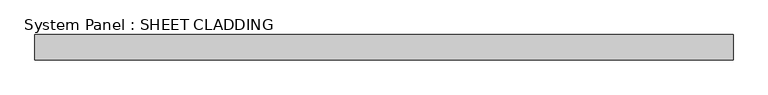
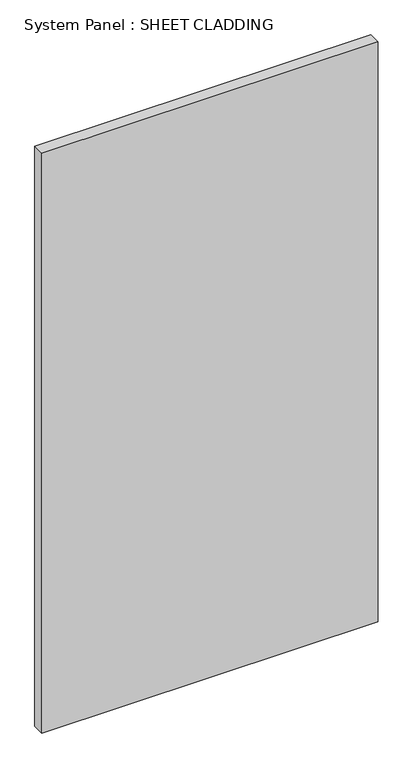
"""IFC4 building model written with IfcOpenShell, lengths in millimetres: plate geometry, System Panel : SHEET CLADDING."""

from ifc_helpers import new_model, si_unit, origin, origin_with_axes, place, context, project, spatial, polyline, outline, extrude, source, transform, mapped, element, save


def system_panel_sheet_cladding_f1958594(model_context):
    return source(origin(), model_context, "Body", "SweptSolid", [
        extrude(outline(polyline([(831.1220206, -10.5), (-831.1220206, -10.5), (-831.1220206, 49.5), (831.1220206, 49.5), (831.1220206, -10.5)])), origin_with_axes(), (0.0, 0.0, 1.0), 3031.35),
    ])


if __name__ == "__main__":
    model = new_model("IFC4")
    model_context = context("Model", 3, world=origin())
    ifc_project = project(units=[si_unit("LENGTHUNIT", "METRE", prefix="MILLI")], contexts=[model_context])
    site = spatial("IfcSite", under=ifc_project)
    building = spatial("IfcBuilding", under=site)
    placement = place(None, origin())
    system_panel_sheet_cladding_shape = system_panel_sheet_cladding_f1958594(model_context)
    element("IfcPlate", 1, ObjectType="System Panel : SHEET CLADDING", at=placement, inside=building, context=model_context, shape_type="MappedRepresentation", body=[
        mapped(system_panel_sheet_cladding_shape, transform((0.0, 0.0, 0.0), x_axis=(1.0, 0.0, 0.0), y_axis=(0.0, 1.0, 0.0), z_axis=(0.0, 0.0, 1.0))),
    ])
    save(model, "model.ifc")
